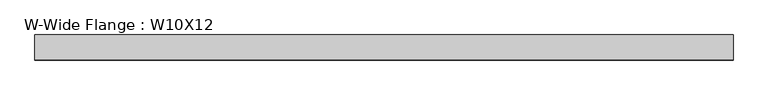
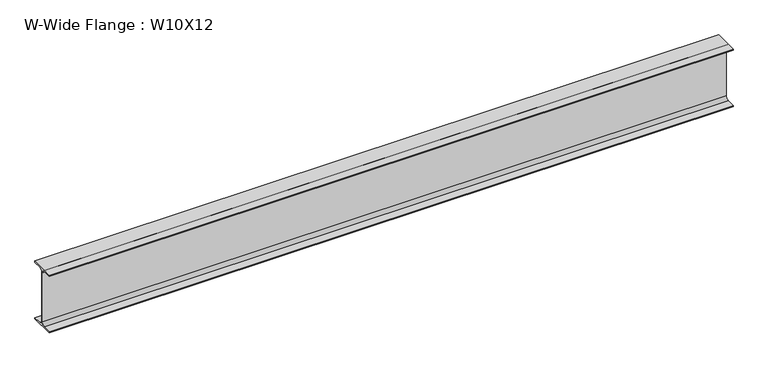
"""IFC4 building model written with IfcOpenShell, lengths in millimetres: beam geometry, W-Wide Flange : W10X12."""

from ifc_helpers import new_model, si_unit, point, frame, frame_2d, origin, place, context, project, spatial, polyline, circle_curve, trimmed, segment, composite_curve, outline, extrude, source, transform, mapped, element, save


def w_wide_flange_w10x12_b8b57d28(model_context):
    return source(origin(), model_context, "Body", "SweptSolid", [
        extrude(outline(composite_curve([segment(polyline([(50.3039062, -120.0050781), (50.3039062, -125.3628906), (-50.3039063, -125.3628906), (-50.3039063, -120.0050781), (-16.1230469, -120.0050781)]), True, "CONTINUOUS"), segment(trimmed(circle_curve(frame_2d((-16.1230469, -106.3128906)), 13.6921875), [point((-16.1230469, -120.0050781))], [point((-2.4308594, -106.3128906))], True, "CARTESIAN"), True, "CONTINUOUS"), segment(polyline([(-2.4308594, -106.3128906), (-2.4308594, 106.3128906)]), True, "CONTINUOUS"), segment(trimmed(circle_curve(frame_2d((-16.1230469, 106.3128906)), 13.6921875), [point((-2.4308594, 106.3128906))], [point((-16.1230469, 120.0050781))], True, "CARTESIAN"), True, "CONTINUOUS"), segment(polyline([(-16.1230469, 120.0050781), (-50.3039063, 120.0050781), (-50.3039063, 125.3628906), (50.3039062, 125.3628906), (50.3039062, 120.0050781), (16.1230469, 120.0050781)]), True, "CONTINUOUS"), segment(trimmed(circle_curve(frame_2d((16.1230469, 106.3128906)), 13.6921875), [point((16.1230469, 120.0050781))], [point((2.4308594, 106.3128906))], True, "CARTESIAN"), True, "CONTINUOUS"), segment(polyline([(2.4308594, 106.3128906), (2.4308594, -106.3128906)]), True, "CONTINUOUS"), segment(trimmed(circle_curve(frame_2d((16.1230469, -106.3128906)), 13.6921875), [point((2.4308594, -106.3128906))], [point((16.1230469, -120.0050781))], True, "CARTESIAN"), True, "CONTINUOUS"), segment(polyline([(16.1230469, -120.0050781), (50.3039062, -120.0050781)]), True, "CONTINUOUS")], self_intersect=False)), frame((-1390.65, 0.0, 0.0), z_axis=(1.0, 0.0, 0.0), x_axis=(0.0, 1.0, 0.0)), (0.0, 0.0, 1.0), 2800.35),
    ])


if __name__ == "__main__":
    model = new_model("IFC4")
    model_context = context("Model", 3, world=origin())
    ifc_project = project(units=[si_unit("LENGTHUNIT", "METRE", prefix="MILLI")], contexts=[model_context])
    site = spatial("IfcSite", under=ifc_project)
    building = spatial("IfcBuilding", under=site)
    placement = place(None, origin())
    w_wide_flange_w10x12_shape = w_wide_flange_w10x12_b8b57d28(model_context)
    element("IfcBeam", 1, ObjectType="W-Wide Flange : W10X12", at=placement, inside=building, context=model_context, shape_type="MappedRepresentation", body=[
        mapped(w_wide_flange_w10x12_shape, transform((0.0, 0.0, 0.0), x_axis=(1.0, 0.0, 0.0), y_axis=(0.0, 1.0, 0.0), z_axis=(0.0, 0.0, 1.0))),
    ])
    save(model, "model.ifc")
